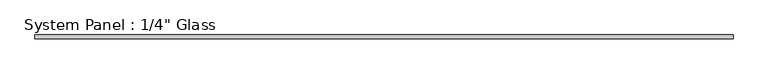
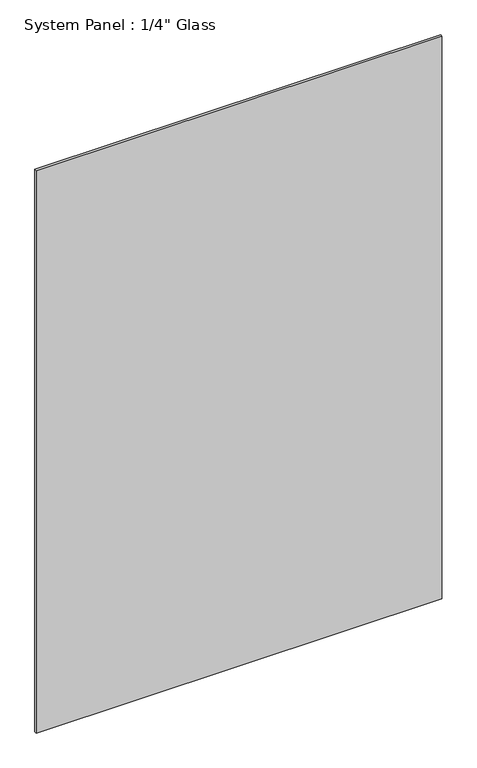
"""IFC4 building model written with IfcOpenShell, lengths in millimetres: plate geometry."""

from ifc_helpers import new_model, si_unit, origin, origin_with_axes, place, context, project, spatial, polyline, outline, extrude, source, transform, mapped, element, save


def plate_6980b7fb(model_context):
    return source(origin(), model_context, "Body", "SweptSolid", [
        extrude(outline(polyline([(593.5803783, -3.175), (-593.5803783, -3.175), (-593.5803783, 3.175), (593.5803783, 3.175), (593.5803783, -3.175)])), origin_with_axes(), (0.0, 0.0, 1.0), 1739.9),
    ])


if __name__ == "__main__":
    model = new_model("IFC4")
    model_context = context("Model", 3, world=origin())
    ifc_project = project(units=[si_unit("LENGTHUNIT", "METRE", prefix="MILLI")], contexts=[model_context])
    site = spatial("IfcSite", under=ifc_project)
    building = spatial("IfcBuilding", under=site)
    placement = place(None, origin())
    plate_shape = plate_6980b7fb(model_context)
    element("IfcPlate", 1, ObjectType="System Panel : 1/4\" Glass", at=placement, inside=building, context=model_context, shape_type="MappedRepresentation", body=[
        mapped(plate_shape, transform((0.0, 0.0, 0.0), x_axis=(1.0, 0.0, 0.0), y_axis=(0.0, 1.0, 0.0), z_axis=(0.0, 0.0, 1.0))),
    ])
    save(model, "model.ifc")
